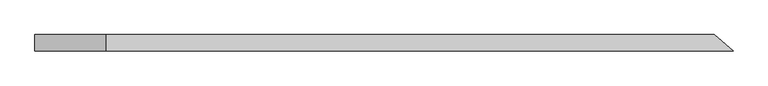
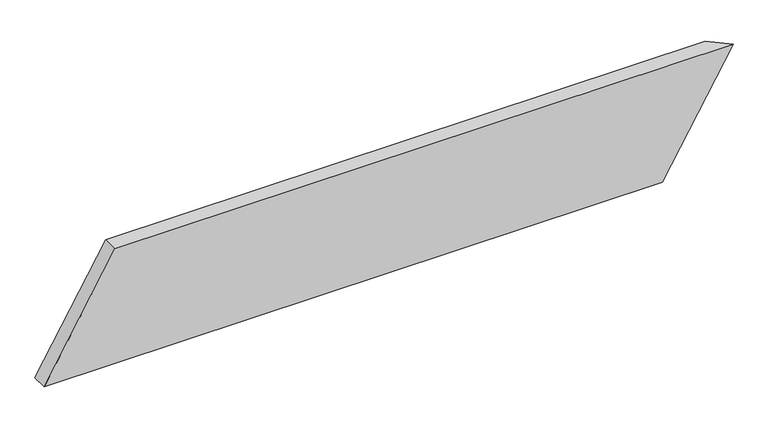
"""IFC4 building model written with IfcOpenShell, lengths in millimetres: beam geometry."""

from ifc_helpers import new_model, si_unit, origin, place, context, project, spatial, faceted_brep, source, transform, mapped, element, save


def beam_05067b55(model_context):
    return source(origin(), model_context, "Body", "Brep", [
        faceted_brep([(824.1926121, -19.05, 142.875), (-635.4508572, -19.05, 142.875), (-802.1383572, -19.05, -142.875), (657.5051121, -19.05, -142.875), (780.0841024, 19.05, 142.875), (613.3966024, 19.05, -142.875), (-802.1383572, 19.05, -142.875), (-635.4508572, 19.05, 142.875)], [[[0, 1, 2, 3]], [[4, 5, 6, 7]], [[5, 4, 0, 3]], [[6, 5, 3, 2]], [[7, 6, 2, 1]], [[4, 7, 1, 0]]]),
    ])


if __name__ == "__main__":
    model = new_model("IFC4")
    model_context = context("Model", 3, world=origin())
    ifc_project = project(units=[si_unit("LENGTHUNIT", "METRE", prefix="MILLI")], contexts=[model_context])
    site = spatial("IfcSite", under=ifc_project)
    building = spatial("IfcBuilding", under=site)
    placement = place(None, origin())
    beam_shape = beam_05067b55(model_context)
    element("IfcBeam", 1, at=placement, inside=building, context=model_context, shape_type="MappedRepresentation", body=[
        mapped(beam_shape, transform((0.0, 0.0, 0.0), x_axis=(1.0, 0.0, 0.0), y_axis=(0.0, 1.0, 0.0), z_axis=(0.0, 0.0, 1.0))),
    ])
    save(model, "model.ifc")
